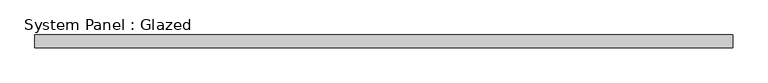
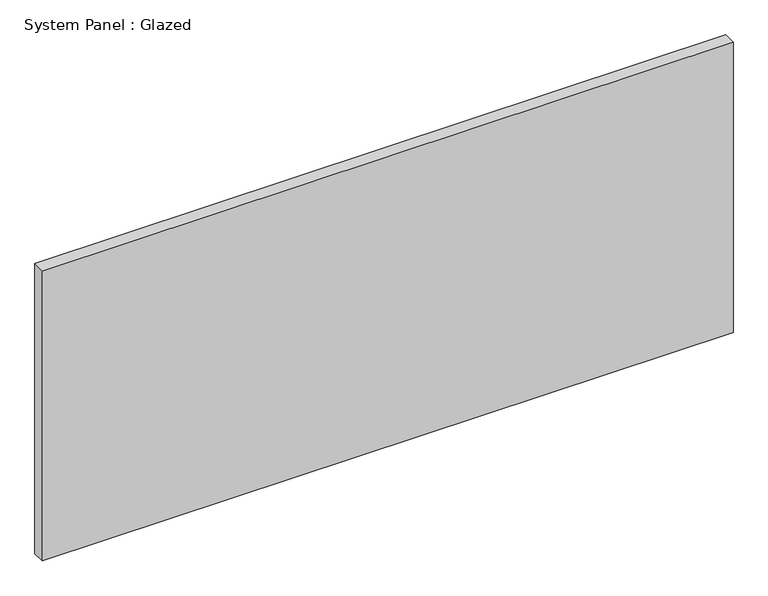
"""IFC4 building model written with IfcOpenShell, lengths in millimetres: plate geometry, System Panel : Glazed."""

from ifc_helpers import new_model, si_unit, origin, origin_with_axes, place, context, project, spatial, polyline, outline, extrude, source, transform, mapped, element, save


def system_panel_glazed_8a62d285(model_context):
    return source(origin(), model_context, "Body", "SweptSolid", [
        extrude(outline(polyline([(685.7999998, 19.05), (-685.7999998, 19.05), (-685.7999998, 44.45), (685.7999998, 44.45), (685.7999998, 19.05)])), origin_with_axes(), (0.0, 0.0, 1.0), 609.6),
    ])


if __name__ == "__main__":
    model = new_model("IFC4")
    model_context = context("Model", 3, world=origin())
    ifc_project = project(units=[si_unit("LENGTHUNIT", "METRE", prefix="MILLI")], contexts=[model_context])
    site = spatial("IfcSite", under=ifc_project)
    building = spatial("IfcBuilding", under=site)
    placement = place(None, origin())
    system_panel_glazed_shape = system_panel_glazed_8a62d285(model_context)
    element("IfcPlate", 1, ObjectType="System Panel : Glazed", at=placement, inside=building, context=model_context, shape_type="MappedRepresentation", body=[
        mapped(system_panel_glazed_shape, transform((0.0, 0.0, 0.0), x_axis=(1.0, 0.0, 0.0), y_axis=(0.0, 1.0, 0.0), z_axis=(0.0, 0.0, 1.0))),
    ])
    save(model, "model.ifc")
